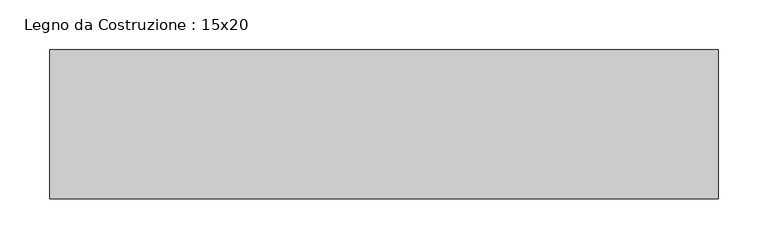
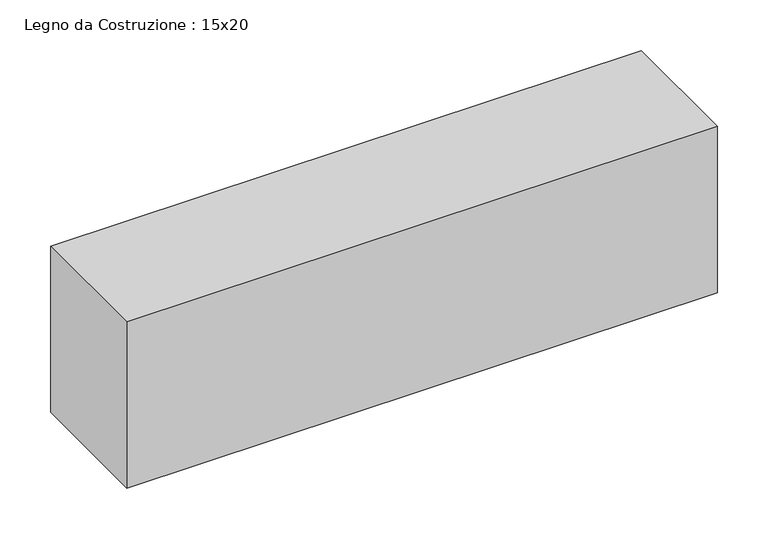
"""IFC4 building model written with IfcOpenShell, lengths in millimetres: beam geometry, Legno da Costruzione : 15x20."""

from ifc_helpers import new_model, si_unit, frame, origin, place, context, project, spatial, polyline, outline, extrude, source, transform, mapped, element, save


def legno_da_costruzione_15x20_ce9e03b7(model_context):
    return source(origin(), model_context, "Body", "SweptSolid", [
        extrude(outline(polyline([(485.0, 75.0), (485.0, -75.0), (-187.0, -75.0), (-187.0, 75.0), (485.0, 75.0)])), frame((0.0, 0.0, -100.0), z_axis=(0.0, 0.0, 1.0), x_axis=(1.0, 0.0, 0.0)), (0.0, 0.0, 1.0), 200.0),
    ])


if __name__ == "__main__":
    model = new_model("IFC4")
    model_context = context("Model", 3, world=origin())
    ifc_project = project(units=[si_unit("LENGTHUNIT", "METRE", prefix="MILLI")], contexts=[model_context])
    site = spatial("IfcSite", under=ifc_project)
    building = spatial("IfcBuilding", under=site)
    placement = place(None, origin())
    legno_da_costruzione_15x20_shape = legno_da_costruzione_15x20_ce9e03b7(model_context)
    element("IfcBeam", 1, ObjectType="Legno da Costruzione : 15x20", at=placement, inside=building, context=model_context, shape_type="MappedRepresentation", body=[
        mapped(legno_da_costruzione_15x20_shape, transform((0.0, 0.0, 0.0), x_axis=(1.0, 0.0, 0.0), y_axis=(0.0, 1.0, 0.0), z_axis=(0.0, 0.0, 1.0))),
    ])
    save(model, "model.ifc")
